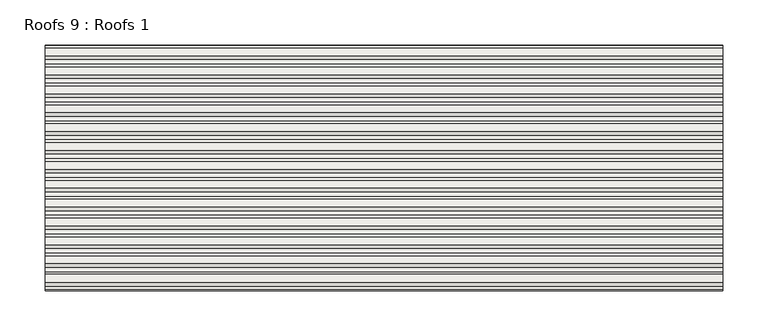
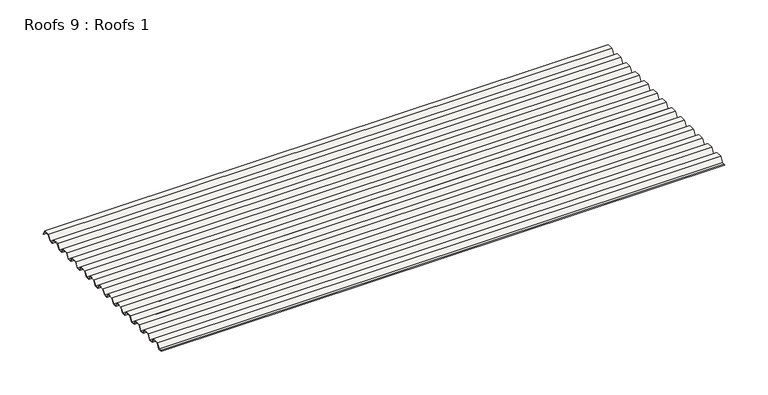
"""IFC4 building model written with IfcOpenShell, lengths in millimetres: roof geometry, Roofs 9 : Roofs 1."""

from ifc_helpers import new_model, si_unit, frame, origin, place, context, project, spatial, polyline, outline, extrude, source, transform, mapped, element, save


def roofs_9_roofs_1_e6b5e470(model_context):
    return source(origin(), model_context, "Body", "SweptSolid", [
        extrude(outline(polyline([(-9972.9350025, 23.8967546), (-9978.2553544, 23.8967546), (-9976.7737795, 24.2936296), (-9973.1504699, 24.2936296), (-9969.0285984, 30.639777), (-9960.3688636, 30.639777), (-9957.1359028, 24.2936296), (-9952.2742428, 24.2936296), (-9948.1523713, 30.639777), (-9939.4926365, 30.639777), (-9936.2596757, 24.2936296), (-9931.3980158, 24.2936296), (-9927.2761442, 30.639777), (-9918.6164094, 30.639777), (-9915.3834486, 24.2936296), (-9910.5217887, 24.2936296), (-9906.3999172, 30.639777), (-9897.7401824, 30.639777), (-9894.5072216, 24.2936296), (-9889.6455616, 24.2936296), (-9885.5236901, 30.639777), (-9876.8639553, 30.639777), (-9873.6309945, 24.2936296), (-9868.7693346, 24.2936296), (-9864.647463, 30.639777), (-9855.9877282, 30.639777), (-9852.7547674, 24.2936296), (-9847.8931075, 24.2936296), (-9843.7712359, 30.639777), (-9835.1115012, 30.639777), (-9831.8785404, 24.2936296), (-9827.0168804, 24.2936296), (-9822.8950089, 30.639777), (-9814.2352741, 30.639777), (-9811.0023133, 24.2936296), (-9806.1406534, 24.2936296), (-9802.0187818, 30.639777), (-9793.359047, 30.639777), (-9790.1260862, 24.2936296), (-9785.2644263, 24.2936296), (-9781.1425547, 30.639777), (-9772.4828199, 30.639777), (-9769.2498592, 24.2936296), (-9764.3881992, 24.2936296), (-9760.2663277, 30.639777), (-9751.6065929, 30.639777), (-9748.3736321, 24.2936296), (-9743.5119722, 24.2936296), (-9739.3901006, 30.639777), (-9730.7303658, 30.639777), (-9727.497405, 24.2936296), (-9722.6357451, 24.2936296), (-9718.5138735, 30.639777), (-9709.8541387, 30.639777), (-9706.89711, 24.8352711), (-9706.8644025, 23.8967546), (-9710.0973633, 30.242902), (-9718.2984061, 30.242902), (-9722.4202776, 23.8967546), (-9727.7406296, 23.8967546), (-9730.9735903, 30.242902), (-9739.1746331, 30.242902), (-9743.2965047, 23.8967546), (-9748.6168566, 23.8967546), (-9751.8498174, 30.242902), (-9760.0508602, 30.242902), (-9764.1727318, 23.8967546), (-9769.4930837, 23.8967546), (-9772.7260445, 30.242902), (-9780.9270873, 30.242902), (-9785.0489588, 23.8967546), (-9790.3693108, 23.8967546), (-9793.6022715, 30.242902), (-9801.8033144, 30.242902), (-9805.9251859, 23.8967546), (-9811.2455378, 23.8967546), (-9814.4784986, 30.242902), (-9822.6795414, 30.242902), (-9826.801413, 23.8967546), (-9832.1217649, 23.8967546), (-9835.3547257, 30.242902), (-9843.5557685, 30.242902), (-9847.67764, 23.8967546), (-9852.997992, 23.8967546), (-9856.2309528, 30.242902), (-9864.4319956, 30.242902), (-9868.5538671, 23.8967546), (-9873.874219, 23.8967546), (-9877.1071798, 30.242902), (-9885.3082226, 30.242902), (-9889.4300942, 23.8967546), (-9894.7504461, 23.8967546), (-9897.9834069, 30.242902), (-9906.1844497, 30.242902), (-9910.3063212, 23.8967546), (-9915.6266732, 23.8967546), (-9918.859634, 30.242902), (-9927.0606768, 30.242902), (-9931.1825483, 23.8967546), (-9936.5029002, 23.8967546), (-9939.735861, 30.242902), (-9947.9369038, 30.242902), (-9952.0587754, 23.8967546), (-9957.3791273, 23.8967546), (-9960.6120881, 30.242902), (-9968.8131309, 30.242902), (-9972.9350025, 23.8967546)])), frame((-2079.2765489, 0.0, 0.0), z_axis=(1.0, 0.0, 0.0), x_axis=(0.0, 1.0, 0.0)), (0.0, 0.0, 1.0), 749.1973398),
    ])


if __name__ == "__main__":
    model = new_model("IFC4")
    model_context = context("Model", 3, world=origin())
    ifc_project = project(units=[si_unit("LENGTHUNIT", "METRE", prefix="MILLI")], contexts=[model_context])
    site = spatial("IfcSite", under=ifc_project)
    building = spatial("IfcBuilding", under=site)
    placement = place(None, origin())
    roofs_9_roofs_1_shape = roofs_9_roofs_1_e6b5e470(model_context)
    element("IfcRoof", 1, ObjectType="Roofs 9 : Roofs 1", at=placement, inside=building, context=model_context, shape_type="MappedRepresentation", body=[
        mapped(roofs_9_roofs_1_shape, transform((0.0, 0.0, 0.0), x_axis=(1.0, 0.0, 0.0), y_axis=(0.0, 1.0, 0.0), z_axis=(0.0, 0.0, 1.0))),
    ])
    save(model, "model.ifc")
